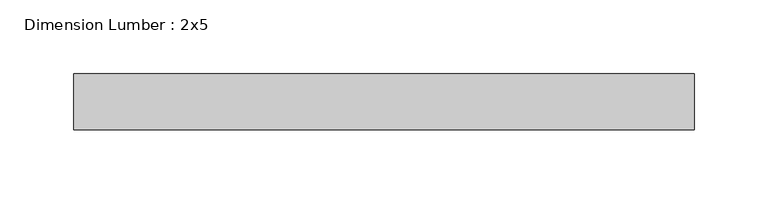
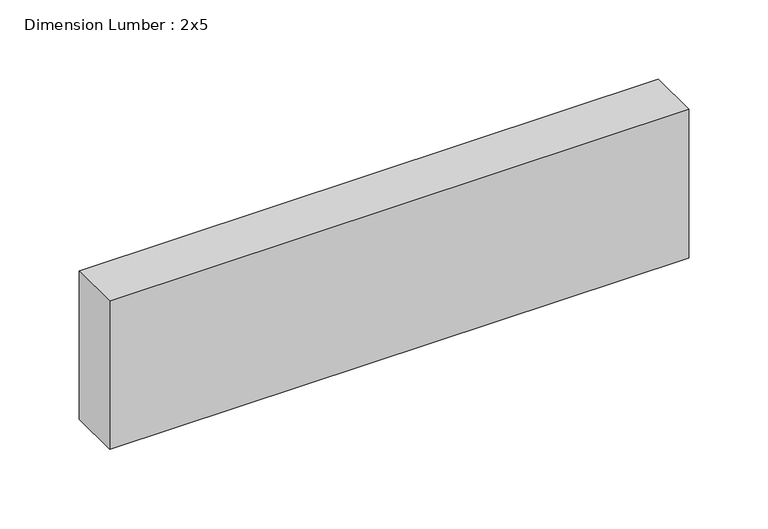
"""IFC4 building model written with IfcOpenShell, lengths in millimetres: beam geometry, Dimension Lumber : 2x5."""

from ifc_helpers import new_model, si_unit, frame, origin, place, context, project, spatial, polyline, outline, extrude, source, transform, mapped, element, save


def dimension_lumber_2x5_9a0fd72b(model_context):
    return source(origin(), model_context, "Body", "SweptSolid", [
        extrude(outline(polyline([(212.987767, 19.05), (212.987767, -19.05), (-208.134581, -19.05), (-208.134581, 19.05), (212.987767, 19.05)])), frame((0.0, 0.0, -57.15), z_axis=(0.0, 0.0, 1.0), x_axis=(1.0, 0.0, 0.0)), (0.0, 0.0, 1.0), 114.3),
    ])


if __name__ == "__main__":
    model = new_model("IFC4")
    model_context = context("Model", 3, world=origin())
    ifc_project = project(units=[si_unit("LENGTHUNIT", "METRE", prefix="MILLI")], contexts=[model_context])
    site = spatial("IfcSite", under=ifc_project)
    building = spatial("IfcBuilding", under=site)
    placement = place(None, origin())
    dimension_lumber_2x5_shape = dimension_lumber_2x5_9a0fd72b(model_context)
    element("IfcBeam", 1, ObjectType="Dimension Lumber : 2x5", at=placement, inside=building, context=model_context, shape_type="MappedRepresentation", body=[
        mapped(dimension_lumber_2x5_shape, transform((0.0, 0.0, 0.0), x_axis=(1.0, 0.0, 0.0), y_axis=(0.0, 1.0, 0.0), z_axis=(0.0, 0.0, 1.0))),
    ])
    save(model, "model.ifc")
